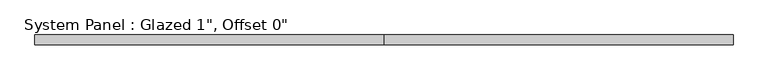
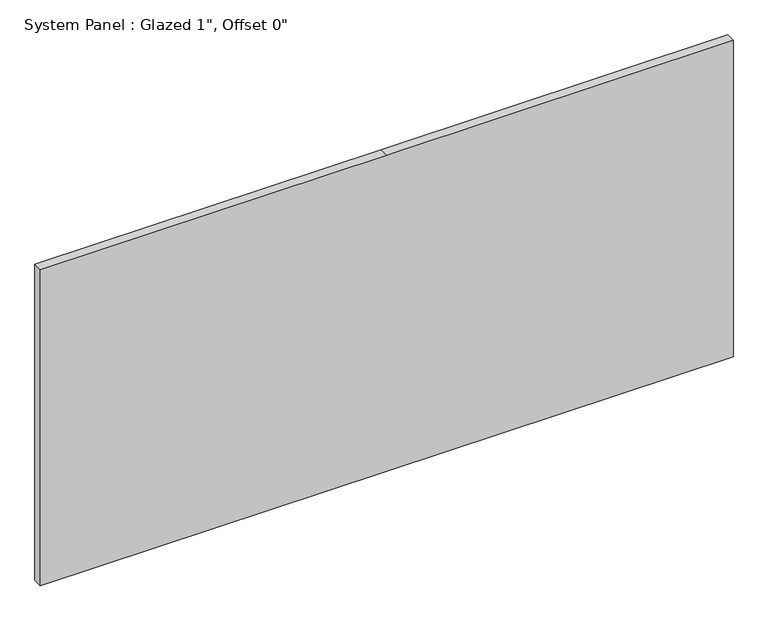
"""IFC4 building model written with IfcOpenShell, lengths in millimetres: plate geometry."""

from ifc_helpers import new_model, si_unit, frame, origin, place, context, project, spatial, polyline, outline, extrude, source, transform, mapped, element, save


def plate_d1ee3371(model_context):
    return source(origin(), model_context, "Body", "SweptSolid", [
        extrude(outline(polyline([(0.0, -911.225), (0.0, 0.0), (0.0, 911.225), (879.475, 911.225), (879.475, 0.0), (879.475, -911.225), (0.0, -911.225)])), frame((0.0, -12.7, 0.0), z_axis=(0.0, 1.0, 0.0), x_axis=(0.0, 0.0, 1.0)), (0.0, 0.0, 1.0), 25.4),
    ])


if __name__ == "__main__":
    model = new_model("IFC4")
    model_context = context("Model", 3, world=origin())
    ifc_project = project(units=[si_unit("LENGTHUNIT", "METRE", prefix="MILLI")], contexts=[model_context])
    site = spatial("IfcSite", under=ifc_project)
    building = spatial("IfcBuilding", under=site)
    placement = place(None, origin())
    plate_shape = plate_d1ee3371(model_context)
    element("IfcPlate", 1, ObjectType="System Panel : Glazed 1\", Offset 0\"", at=placement, inside=building, context=model_context, shape_type="MappedRepresentation", body=[
        mapped(plate_shape, transform((0.0, 0.0, 0.0), x_axis=(1.0, 0.0, 0.0), y_axis=(0.0, 1.0, 0.0), z_axis=(0.0, 0.0, 1.0))),
    ])
    save(model, "model.ifc")
